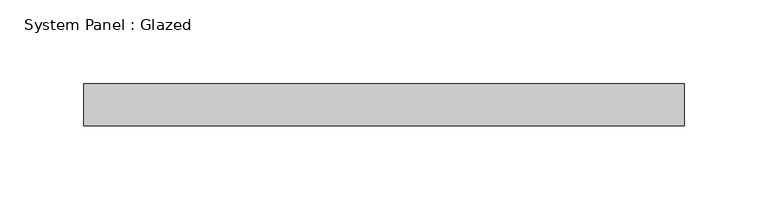
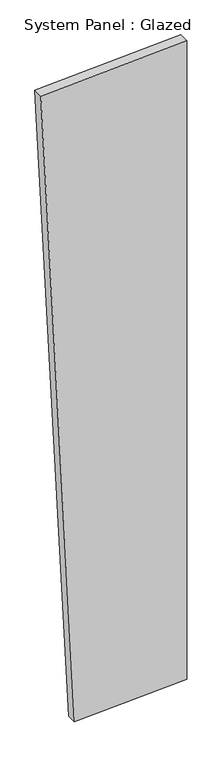
"""IFC4 building model written with IfcOpenShell, lengths in millimetres: plate geometry, System Panel : Glazed."""

from ifc_helpers import new_model, si_unit, frame, origin, place, context, project, spatial, polyline, outline, extrude, source, transform, mapped, element, save


def system_panel_glazed_5e59a793(model_context):
    return source(origin(), model_context, "Body", "SweptSolid", [
        extrude(outline(polyline([(0.0, -96.6411986), (13.7995112, 179.349025), (1672.0914313, 179.349025), (1654.1565288, -179.349025), (0.0, -96.6411986)])), frame((0.0, 24.5, 0.0), z_axis=(0.0, 1.0, 0.0), x_axis=(0.0, 0.0, 1.0)), (0.0, 0.0, 1.0), 25.0),
    ])


if __name__ == "__main__":
    model = new_model("IFC4")
    model_context = context("Model", 3, world=origin())
    ifc_project = project(units=[si_unit("LENGTHUNIT", "METRE", prefix="MILLI")], contexts=[model_context])
    site = spatial("IfcSite", under=ifc_project)
    building = spatial("IfcBuilding", under=site)
    placement = place(None, origin())
    system_panel_glazed_shape = system_panel_glazed_5e59a793(model_context)
    element("IfcPlate", 1, ObjectType="System Panel : Glazed", at=placement, inside=building, context=model_context, shape_type="MappedRepresentation", body=[
        mapped(system_panel_glazed_shape, transform((0.0, 0.0, 0.0), x_axis=(1.0, 0.0, 0.0), y_axis=(0.0, 1.0, 0.0), z_axis=(0.0, 0.0, 1.0))),
    ])
    save(model, "model.ifc")
